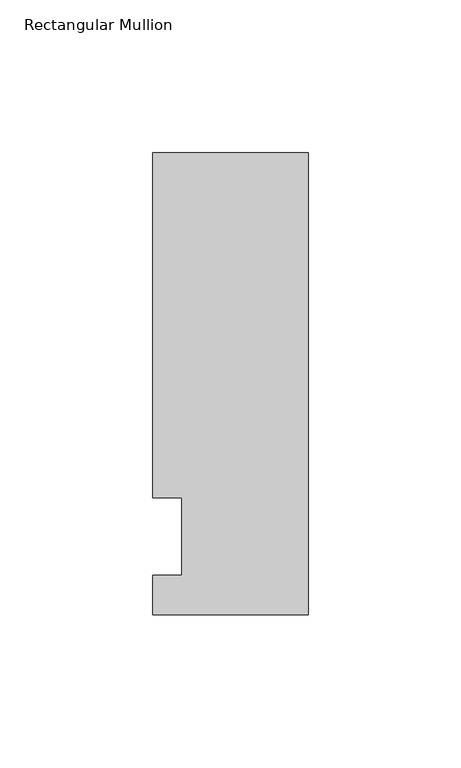
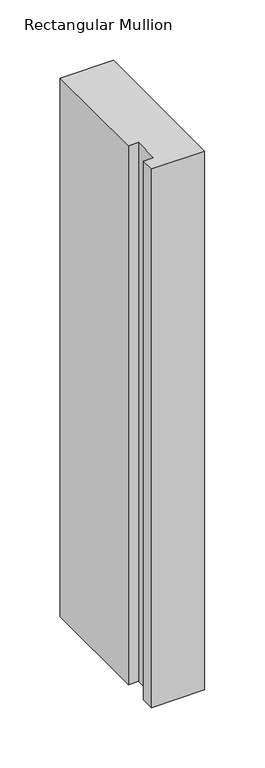
"""IFC4 building model written with IfcOpenShell, lengths in millimetres: member geometry, Rectangular Mullion."""

from ifc_helpers import new_model, si_unit, frame, origin, place, context, project, spatial, polyline, outline, extrude, source, transform, mapped, element, save


def rectangular_mullion_3abce092(model_context):
    return source(origin(), model_context, "Body", "SweptSolid", [
        extrude(outline(polyline([(-50.8, -25.5984375), (-50.8, -12.7), (-41.275, -12.7), (-41.275, 12.7), (-50.8, 12.7), (-50.8, 125.6109375), (0.0, 125.6109375), (0.0, -25.5984375), (-50.8, -25.5984375)])), frame((0.0, 0.0, -544.5125), z_axis=(0.0, 0.0, 1.0), x_axis=(1.0, 0.0, 0.0)), (0.0, 0.0, 1.0), 544.5125),
    ])


if __name__ == "__main__":
    model = new_model("IFC4")
    model_context = context("Model", 3, world=origin())
    ifc_project = project(units=[si_unit("LENGTHUNIT", "METRE", prefix="MILLI")], contexts=[model_context])
    site = spatial("IfcSite", under=ifc_project)
    building = spatial("IfcBuilding", under=site)
    placement = place(None, origin())
    rectangular_mullion_shape = rectangular_mullion_3abce092(model_context)
    element("IfcMember", 1, ObjectType="Rectangular Mullion", at=placement, inside=building, context=model_context, shape_type="MappedRepresentation", body=[
        mapped(rectangular_mullion_shape, transform((0.0, 0.0, 0.0), x_axis=(1.0, 0.0, 0.0), y_axis=(0.0, 1.0, 0.0), z_axis=(0.0, 0.0, 1.0))),
    ])
    save(model, "model.ifc")
